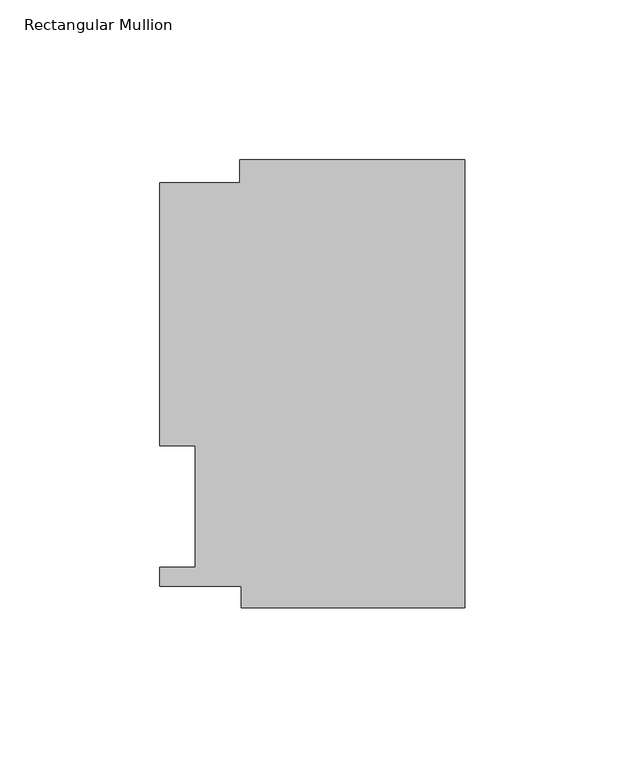
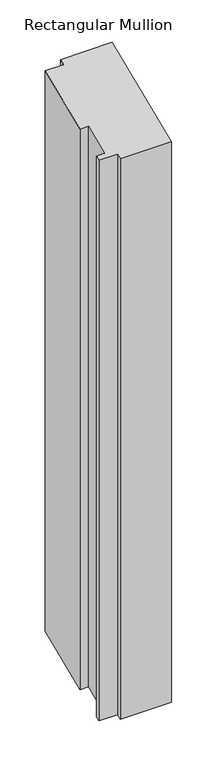
"""IFC4 building model written with IfcOpenShell, lengths in millimetres: member geometry, Rectangular Mullion."""

from ifc_helpers import new_model, si_unit, origin, place, context, project, spatial, faceted_brep, source, transform, mapped, element, save


def rectangular_mullion_df10584f(model_context):
    return source(origin(), model_context, "Body", "Brep", [
        faceted_brep([(-70.3072, 126.619, 52.4473071), (-70.3072, 133.731, 55.3931939), (-70.3072, 133.731, -750.6716666), (-70.3072, 126.619, -753.6175535), (-95.25, 126.619, 52.4473071), (-95.25, 126.619, -753.6175535), (-95.25, 44.45, 18.4117928), (-95.25, 44.45, -787.6530677), (-84.1375, 44.45, 18.4117928), (-84.1375, 44.45, -787.6530677), (-84.1375, 6.35, 2.6302561), (-84.1375, 6.35, -803.4346044), (-95.25, 6.35, 2.6302561), (-95.25, 6.35, -803.4346044), (-95.25, 0.4064, 0.1683364), (-95.25, 0.4064, -805.8965241), (-69.85, 0.4064, 0.1683364), (-69.85, 0.4064, -805.8965241), (-69.85, -6.2260979, -2.5789342), (-69.85, -6.2260979, -808.6437947), (0.0, -6.2260979, -2.5789342), (0.0, -6.2260979, -808.6437947), (0.0, 133.731, 55.3931939), (0.0, 133.731, -750.6716666)], [[[0, 1, 2, 3]], [[4, 0, 3, 5]], [[6, 4, 5, 7]], [[8, 6, 7, 9]], [[10, 8, 9, 11]], [[12, 10, 11, 13]], [[14, 12, 13, 15]], [[16, 14, 15, 17]], [[18, 16, 17, 19]], [[20, 18, 19, 21]], [[22, 20, 21, 23]], [[1, 22, 23, 2]], [[1, 0, 4, 6, 8, 10, 12, 14, 16, 18, 20, 22]], [[2, 23, 21, 19, 17, 15, 13, 11, 9, 7, 5, 3]]]),
    ])


if __name__ == "__main__":
    model = new_model("IFC4")
    model_context = context("Model", 3, world=origin())
    ifc_project = project(units=[si_unit("LENGTHUNIT", "METRE", prefix="MILLI")], contexts=[model_context])
    site = spatial("IfcSite", under=ifc_project)
    building = spatial("IfcBuilding", under=site)
    placement = place(None, origin())
    rectangular_mullion_shape = rectangular_mullion_df10584f(model_context)
    element("IfcMember", 1, ObjectType="Rectangular Mullion", at=placement, inside=building, context=model_context, shape_type="MappedRepresentation", body=[
        mapped(rectangular_mullion_shape, transform((0.0, 0.0, 0.0), x_axis=(1.0, 0.0, 0.0), y_axis=(0.0, 1.0, 0.0), z_axis=(0.0, 0.0, 1.0))),
    ])
    save(model, "model.ifc")
